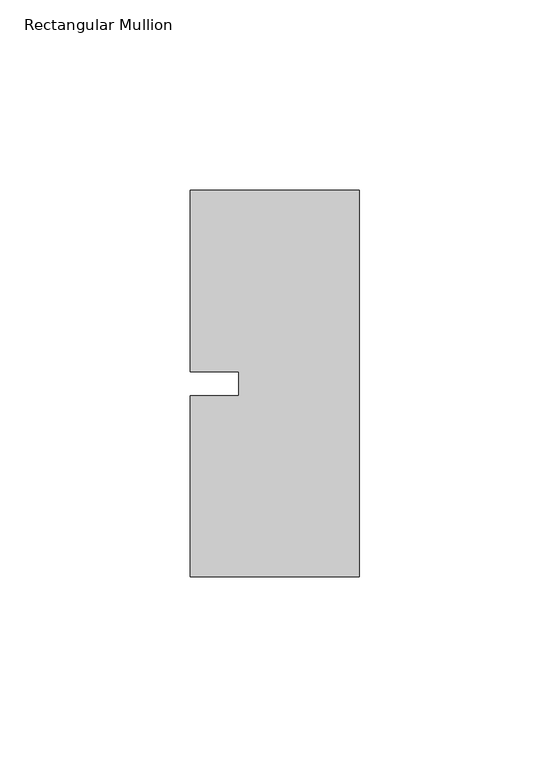
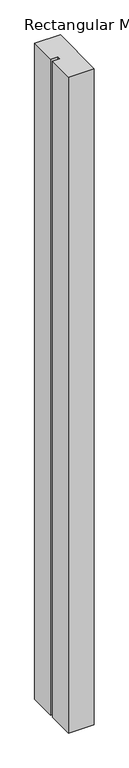
"""IFC4 building model written with IfcOpenShell, lengths in millimetres: member geometry, Rectangular Mullion."""

from ifc_helpers import new_model, si_unit, frame, origin, place, context, project, spatial, polyline, outline, extrude, source, transform, mapped, element, save


def rectangular_mullion_1fb69ce1(model_context):
    return source(origin(), model_context, "Body", "SweptSolid", [
        extrude(outline(polyline([(26.5594027, 50.8), (26.5594027, -50.8), (-17.8905973, -50.8), (-17.8905973, -3.175), (-5.1905973, -3.175), (-5.1905973, 3.175), (-17.8905973, 3.175), (-17.8905973, 50.8), (26.5594027, 50.8)])), frame((0.0, 0.0, -1201.3094027), z_axis=(0.0, 0.0, 1.0), x_axis=(1.0, 0.0, 0.0)), (0.0, 0.0, 1.0), 1201.3094027),
    ])


if __name__ == "__main__":
    model = new_model("IFC4")
    model_context = context("Model", 3, world=origin())
    ifc_project = project(units=[si_unit("LENGTHUNIT", "METRE", prefix="MILLI")], contexts=[model_context])
    site = spatial("IfcSite", under=ifc_project)
    building = spatial("IfcBuilding", under=site)
    placement = place(None, origin())
    rectangular_mullion_shape = rectangular_mullion_1fb69ce1(model_context)
    element("IfcMember", 1, ObjectType="Rectangular Mullion", at=placement, inside=building, context=model_context, shape_type="MappedRepresentation", body=[
        mapped(rectangular_mullion_shape, transform((0.0, 0.0, 0.0), x_axis=(1.0, 0.0, 0.0), y_axis=(0.0, 1.0, 0.0), z_axis=(0.0, 0.0, 1.0))),
    ])
    save(model, "model.ifc")
